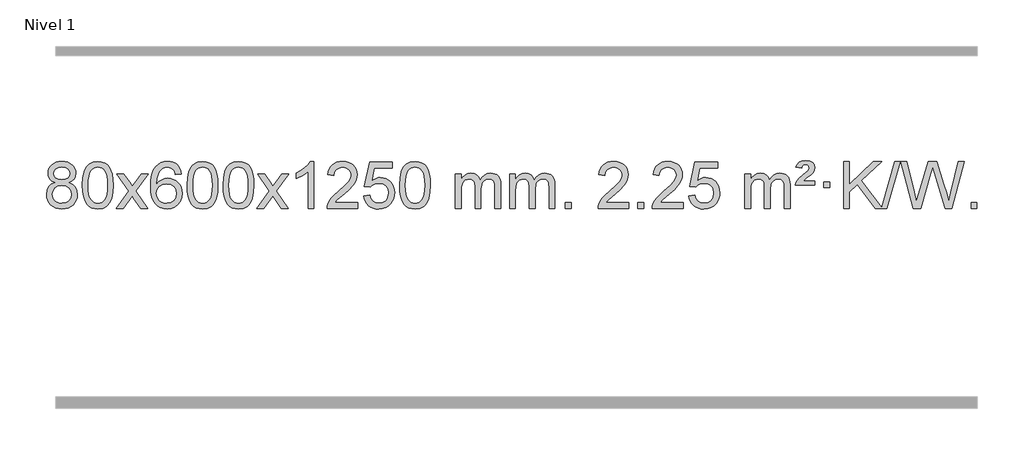
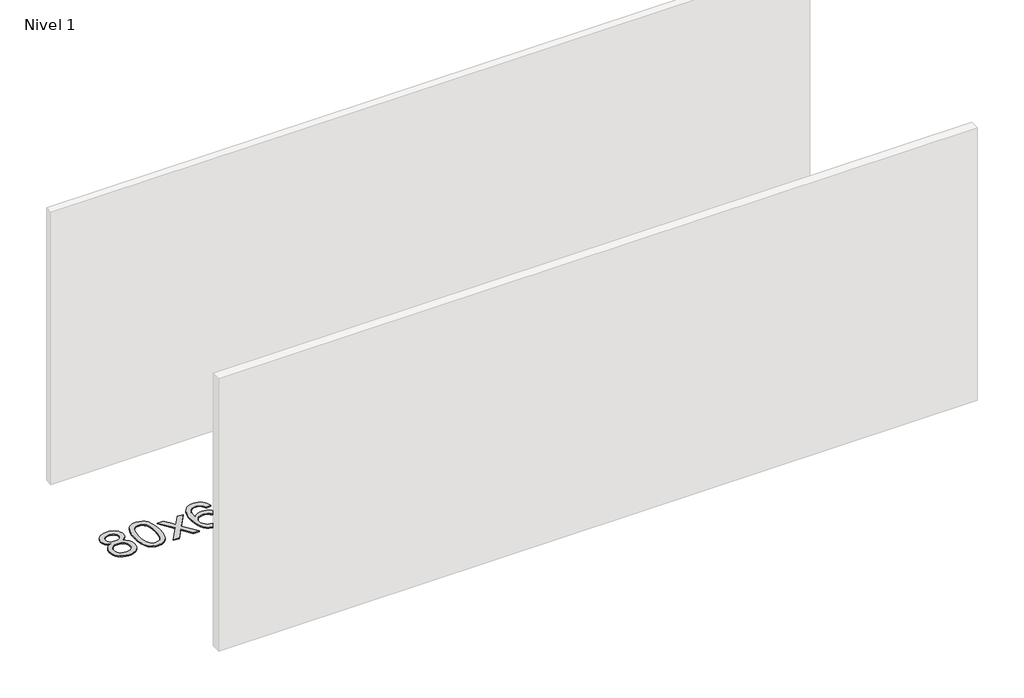
# One storey, part 8 of 12: 1 proxy.
"""IFC4 building model written with IfcOpenShell, lengths in millimetres."""

import ifcopenshell
import ifcopenshell.guid

model = None  # the IFC model being written
_history = None  # IfcOwnerHistory: only IFC2X3 demands one
_inside = {}  # id of a spatial element -> (the spatial element, [elements in it])
_under = {}  # id of a project, library or spatial element -> (it, [spatial elements below it])
_declared = {}  # id of a project -> (the project, [libraries it declares])
_typed = {}  # id of a type object -> (the type object, [elements of that type])
_made_of = {}  # id of a material, layer set ... -> (it, [elements and type objects made of it])


def new_model(schema):
    """Start an empty IFC model of exactly this schema.

    Asked for "IFC4X3", IfcOpenShell would pick the latest addendum, in which some entities
    have other attributes; the version numbers below select the first issue.
    IFC2X3 requires an IfcOwnerHistory on every rooted entity: one is made here for all.
    """
    global model, _history
    if schema == "IFC4X3":
        model = ifcopenshell.file(schema_version=(4, 3, 0, 0))
    else:
        model = ifcopenshell.file(schema=schema)
    _inside.clear()
    _under.clear()
    _declared.clear()
    _typed.clear()
    _made_of.clear()
    _history = None
    if model.schema == "IFC2X3":
        org = make("IfcOrganization", Name="unknown")
        user = make(
            "IfcPersonAndOrganization",
            ThePerson=make("IfcPerson", FamilyName="unknown"),
            TheOrganization=org,
        )
        app = make(
            "IfcApplication",
            ApplicationDeveloper=org,
            Version="unknown",
            ApplicationFullName="unknown",
            ApplicationIdentifier="unknown",
        )
        _history = make(
            "IfcOwnerHistory",
            OwningUser=user,
            OwningApplication=app,
            ChangeAction="ADDED",
            CreationDate=0,
        )
    return model


def make(cls, **values):
    """One entity of the class cls with the attributes given. An attribute that is None is left unset."""
    return model.create_entity(
        cls, **{name: value for name, value in values.items() if value is not None}
    )


def rooted(cls, **values):
    """An entity with a GlobalId (a new one), such as an element, a storey or a relation."""
    return make(cls, GlobalId=ifcopenshell.guid.new(), OwnerHistory=_history, **values)


def si_unit(unit_type, name, prefix=None):
    """IfcSIUnit, for example si_unit("LENGTHUNIT", "METRE", prefix="MILLI")."""
    return make("IfcSIUnit", UnitType=unit_type, Prefix=prefix, Name=name)


def assignment(units):
    """IfcUnitAssignment: the units of a project."""
    return None if units is None else make("IfcUnitAssignment", Units=units)


def point(xyz):
    """IfcCartesianPoint."""
    return None if xyz is None else make("IfcCartesianPoint", Coordinates=xyz)


def direction(xyz):
    """IfcDirection."""
    return None if xyz is None else make("IfcDirection", DirectionRatios=xyz)


def frame(location, z_axis=None, x_axis=None):
    """IfcAxis2Placement3D, a coordinate frame: its origin and axes. An axis left out is left unset."""
    return make(
        "IfcAxis2Placement3D",
        Location=point(location),
        Axis=direction(z_axis),
        RefDirection=direction(x_axis),
    )


def origin():
    """The frame at (0, 0, 0) with its axes left unset."""
    return frame((0.0, 0.0, 0.0))


def origin_with_axes():
    """The frame at (0, 0, 0) with the z axis (0, 0, 1) and the x axis (1, 0, 0) written out."""
    return frame((0.0, 0.0, 0.0), z_axis=(0.0, 0.0, 1.0), x_axis=(1.0, 0.0, 0.0))


def place(relative_to, where):
    """IfcLocalPlacement: puts the frame where relative to a parent placement (None: the world)."""
    return make(
        "IfcLocalPlacement", PlacementRelTo=relative_to, RelativePlacement=where
    )


def context(
    kind, dimensions, precision=None, world=None, true_north=None, identifier=None
):
    """IfcGeometricRepresentationContext, for example the 3D "Model" context."""
    return make(
        "IfcGeometricRepresentationContext",
        ContextIdentifier=identifier,
        ContextType=kind,
        CoordinateSpaceDimension=dimensions,
        Precision=precision,
        WorldCoordinateSystem=world,
        TrueNorth=true_north,
    )


def project(units=None, contexts=None):
    """IfcProject with its units and contexts."""
    return rooted(
        "IfcProject",
        Name="project",
        RepresentationContexts=contexts,
        UnitsInContext=assignment(units),
    )


def spatial(cls, under=None, at=None, **own):
    """A site, building, storey or space (cls), placed at a placement, below another one or the project."""
    s = rooted(cls, ObjectPlacement=at, **own)
    if under is not None:
        _under.setdefault(under.id(), (under, []))[1].append(s)
    return s


def polyline(points):
    """IfcPolyline through the points."""
    return make("IfcPolyline", Points=[point(p) for p in points])


def outline(outer, holes=None, kind="AREA"):
    """IfcArbitraryClosedProfileDef: a profile drawn as a closed curve; with holes, ...WithVoids."""
    if holes is None:
        return make("IfcArbitraryClosedProfileDef", ProfileType=kind, OuterCurve=outer)
    return make(
        "IfcArbitraryProfileDefWithVoids",
        ProfileType=kind,
        OuterCurve=outer,
        InnerCurves=holes,
    )


def extrude(swept, where, along, depth):
    """IfcExtrudedAreaSolid: the profile swept, set in the frame where, extruded along a direction by depth."""
    return make(
        "IfcExtrudedAreaSolid",
        SweptArea=swept,
        Position=where,
        ExtrudedDirection=direction(along),
        Depth=depth,
    )


def shape(context_of_items, identifier, shape_type, items):
    """IfcShapeRepresentation: the items that make up one representation, for example the "Body"."""
    return make(
        "IfcShapeRepresentation",
        ContextOfItems=context_of_items,
        RepresentationIdentifier=identifier,
        RepresentationType=shape_type,
        Items=items,
    )


def made_of(thing, what):
    """Note that an element or type object is made of a material, layer set ...; save() writes the relation."""
    if what is not None:
        _made_of.setdefault(what.id(), (what, []))[1].append(thing)
    return thing


def element(
    cls,
    number,
    at=None,
    inside=None,
    cuts=None,
    type_object=None,
    material=None,
    context=None,
    identifier="Body",
    shape_type=None,
    held_by="IfcProductDefinitionShape",
    body=None,
    shapes=None,
    **own,
):
    """One element of the class cls, such as IfcWall. Its Tag is "e" and its number.

    at: its placement. inside: the storey or other place that contains it. cuts: it is an
    opening in that element (IfcRelVoidsElement). A single representation is given by context,
    identifier, shape_type and body (its items); several are given by shapes. held_by: the class
    of the entity that holds the representations. save() writes the other relations.
    """
    e = rooted(cls, Tag="e%d" % number, ObjectPlacement=at, **own)
    if body is not None:
        shapes = [shape(context, identifier, shape_type, body)]
    if shapes is not None:
        e.Representation = make(held_by, Representations=shapes)
    if inside is not None:
        _inside.setdefault(inside.id(), (inside, []))[1].append(e)
    if cuts is not None:
        rooted(
            "IfcRelVoidsElement", RelatingBuildingElement=cuts, RelatedOpeningElement=e
        )
    if type_object is not None:
        _typed.setdefault(type_object.id(), (type_object, []))[1].append(e)
    return made_of(e, material)


def aggregate(whole, parts):
    """IfcRelAggregates: a whole, such as a stair, and the parts it consists of."""
    return rooted("IfcRelAggregates", RelatingObject=whole, RelatedObjects=parts)


def save(model, path):
    """Write the relations noted so far, then the file.

    IfcRelAggregates (storeys below a building ...), IfcRelContainedInSpatialStructure (elements
    in a storey), IfcRelDefinesByType, IfcRelAssociatesMaterial and IfcRelDeclares: one each for
    every whole, place, type object, material and project.
    """
    for whole, parts in _under.values():
        aggregate(whole, parts)
    for where, things in _inside.values():
        rooted(
            "IfcRelContainedInSpatialStructure",
            RelatedElements=things,
            RelatingStructure=where,
        )
    for kind, things in _typed.values():
        rooted("IfcRelDefinesByType", RelatedObjects=things, RelatingType=kind)
    for what, things in _made_of.values():
        rooted("IfcRelAssociatesMaterial", RelatedObjects=things, RelatingMaterial=what)
    for by, libraries in _declared.values():
        rooted("IfcRelDeclares", RelatingContext=by, RelatedDefinitions=libraries)
    model.write(path)


model = new_model("IFC4")

# Units and contexts
model_context = context("Model", 3, world=origin())
ifc_project = project(units=[si_unit("LENGTHUNIT", "METRE", prefix="MILLI")], contexts=[model_context])

# Site, building, storey
site = spatial("IfcSite", under=ifc_project)
building = spatial("IfcBuilding", under=site)
storey = spatial("IfcBuildingStorey", under=building, Name="Nivel 1", Elevation=0.0)

# Proxy
placement = place(None, origin())
element("IfcBuildingElementProxy", 1, Name="Texto de modelo 1", ObjectType="Texto de modelo 1", at=placement, inside=storey, context=model_context, shape_type="SweptSolid", body=[
    extrude(outline(polyline([(-6536.8094438, -9178.2616447), (-6563.7016177, -9165.0178929), (-6582.573964, -9147.0652515), (-6593.7207885, -9124.7716026), (-6597.4363966, -9098.5048281), (-6595.4130456, -9078.0199324), (-6589.3429927, -9059.2395565), (-6579.2262378, -9042.1637006), (-6565.062781, -9026.7923645), (-6547.533204, -9014.088173), (-6527.3180883, -9005.0137504), (-6504.4174341, -8999.5690969), (-6478.8312414, -8997.7542124), (-6453.1224213, -8999.6120165), (-6430.0500888, -9005.1854287), (-6409.614244, -9014.4744491), (-6391.8148868, -9027.4790776), (-6377.3939126, -9043.1508506), (-6367.0932167, -9060.4413044), (-6360.9127992, -9079.3504389), (-6358.85266, -9099.8782543), (-6362.5192172, -9125.2989001), (-6373.5188889, -9147.2124043), (-6391.9743023, -9165.0546811), (-6418.0080848, -9178.2616447), (-6387.0937345, -9194.1909351), (-6364.5916191, -9217.6495436), (-6350.8696207, -9247.5092989), (-6346.2956212, -9282.6420295), (-6348.5642269, -9307.6947933), (-6355.3700438, -9330.6628926), (-6366.713072, -9351.5463272), (-6382.5933114, -9370.3450971), (-6402.1768963, -9385.88198), (-6424.6299607, -9396.9797536), (-6449.9525047, -9403.6384177), (-6478.1445283, -9405.8579724), (-6506.3365519, -9403.6292206), (-6531.6590959, -9396.9429654), (-6554.1121603, -9385.7992066), (-6573.6957452, -9370.1979443), (-6589.5759846, -9351.26735), (-6600.9190128, -9330.135595), (-6607.7248297, -9306.8026795), (-6609.9934354, -9281.2686033), (-6605.2354949, -9244.7747094), (-6590.9616735, -9214.7555386), (-6567.9077351, -9192.2411605), (-6536.8094438, -9178.2616447)]), holes=[polyline([(-6547.2082415, -9099.9763561), (-6542.7568694, -9121.902123), (-6529.402753, -9139.413306), (-6507.5382997, -9150.8912243), (-6477.5559171, -9154.717197), (-6448.2725103, -9150.9157497), (-6426.7391508, -9139.5114079), (-6413.495399, -9122.5888361), (-6409.0808151, -9102.232699), (-6413.6425518, -9081.1040098), (-6427.327762, -9063.629615), (-6449.1554271, -9051.8941794), (-6478.1445283, -9047.9823675), (-6507.3175705, -9051.8083402), (-6529.1084474, -9063.2862585), (-6542.683293, -9080.1107284), (-6547.2082415, -9099.9763561)]), polyline([(-6559.7652803, -9279.5027698), (-6557.6683529, -9298.7184726), (-6551.3775708, -9317.3210389), (-6539.7647625, -9333.5446349), (-6521.7017565, -9345.623427), (-6500.0702952, -9353.1282197), (-6477.7521208, -9355.6298173), (-6443.5636208, -9350.3691048), (-6429.6699441, -9343.7932141), (-6417.909983, -9334.5869672), (-6401.870328, -9310.6869002), (-6396.5237763, -9281.0723996), (-6402.0420062, -9250.9551269), (-6418.596696, -9226.5277625), (-6430.6754882, -9217.0854579), (-6444.838945, -9210.3409547), (-6479.4198526, -9204.9453521), (-6513.130106, -9210.2673783), (-6526.8674329, -9216.919911), (-6538.5262264, -9226.2334569), (-6554.4555168, -9250.1948375), (-6559.7652803, -9279.5027698)])]), origin_with_axes(), (0.0, 0.0, 1.0), 10.0),
    extrude(outline(polyline([(-6302.3459855, -9201.9041943), (-6298.6549029, -9137.5861588), (-6287.5816548, -9086.2911459), (-6269.236606, -9047.2343407), (-6257.378543, -9032.0009605), (-6243.730121, -9019.6309284), (-6228.2453547, -9010.0598651), (-6210.8782588, -9003.2233914), (-6170.4970785, -8997.7542124), (-6139.5459399, -9000.991574), (-6111.832163, -9010.7036586), (-6088.6555973, -9026.5103217), (-6071.3160926, -9048.0314184), (-6058.2194935, -9075.0830078), (-6047.7716449, -9107.4811488), (-6040.9290398, -9148.6226186), (-6038.6481714, -9201.9041943), (-6042.3024659, -9265.8543477), (-6053.2653493, -9317.0267333), (-6071.5000336, -9356.1203266), (-6083.3305054, -9371.3996922), (-6096.9697304, -9383.8341036), (-6112.4728908, -9393.4695462), (-6129.8951689, -9400.3520052), (-6170.4970785, -9405.8579724), (-6198.1618045, -9403.4667394), (-6222.6872709, -9396.2930405), (-6244.0734775, -9384.3368757), (-6262.3204245, -9367.5982449), (-6279.8316074, -9337.3399508), (-6292.3395953, -9299.6381776), (-6299.844388, -9254.4929255), (-6302.3459855, -9201.9041943)]), holes=[polyline([(-6252.1178305, -9201.8060924), (-6250.6463025, -9245.4706195), (-6246.2317185, -9280.8148822), (-6238.8740786, -9307.8388804), (-6228.5733828, -9326.5426142), (-6216.1144459, -9339.2682656), (-6202.2820829, -9348.3580165), (-6187.0762937, -9353.8118671), (-6170.4970785, -9355.6298173), (-6153.9178632, -9353.8057357), (-6138.7120741, -9348.3334911), (-6124.8797111, -9339.2130833), (-6112.4207742, -9326.4445124), (-6102.1200783, -9307.7101217), (-6094.7624384, -9280.6922549), (-6090.3478545, -9245.3909118), (-6088.8763265, -9201.8060924), (-6090.2988035, -9159.2973278), (-6094.5662347, -9124.5753989), (-6101.6786199, -9097.6403055), (-6111.6359592, -9078.4920476), (-6123.8864297, -9065.1440625), (-6137.8782082, -9055.6097875), (-6153.6112949, -9049.8892225), (-6171.0856897, -9047.9823675), (-6187.5790658, -9049.6623619), (-6202.5273375, -9054.7023452), (-6215.9305049, -9063.1023175), (-6227.7885679, -9074.8622786), (-6238.4326203, -9095.708925), (-6246.0355148, -9123.8151094), (-6250.5972516, -9159.1808319), (-6252.1178305, -9201.8060924)])]), origin_with_axes(), (0.0, 0.0, 1.0), 10.0),
    extrude(outline(polyline([(-6013.5340939, -9399.579453), (-5906.2106531, -9251.2494325), (-6007.2555745, -9104.4890419), (-5946.8248254, -9104.4890419), (-5898.0681983, -9175.122385), (-5875.3085655, -9208.4770192), (-5855.5900906, -9181.2047007), (-5800.0644348, -9104.4890419), (-5739.6336857, -9104.4890419), (-5845.7799041, -9251.2494325), (-5743.5577603, -9399.579453), (-5803.9885094, -9399.579453), (-5865.498379, -9310.4048574), (-5876.7800935, -9294.1199477), (-5953.1033448, -9399.579453), (-6013.5340939, -9399.579453)])), origin_with_axes(), (0.0, 0.0, 1.0), 10.0),
    extrude(outline(polyline([(-5454.7458687, -9104.4890419), (-5504.9740237, -9110.7675613), (-5513.0674276, -9085.874213), (-5524.0057856, -9068.8780648), (-5546.7899439, -9053.2062918), (-5574.3320426, -9047.9823675), (-5597.6802865, -9051.0235253), (-5619.6551044, -9060.1469988), (-5638.5274507, -9079.3627017), (-5653.9417063, -9105.8134171), (-5664.3527668, -9143.227016), (-5668.2155277, -9195.3313693), (-5648.0678571, -9171.8237098), (-5623.9225355, -9155.2567573), (-5597.1284635, -9145.434308), (-5569.0345418, -9142.1601582), (-5544.9014829, -9144.398107), (-5522.6323595, -9151.1119534), (-5502.2271715, -9162.3016975), (-5483.6859189, -9177.9673391), (-5468.2777947, -9197.1769106), (-5457.2719917, -9218.9984443), (-5450.6685099, -9243.4319401), (-5448.4673493, -9270.4773982), (-5452.6121531, -9306.4439945), (-5465.0465645, -9339.786366), (-5484.740514, -9368.0642287), (-5510.6639319, -9388.8372987), (-5541.6395959, -9401.602804), (-5576.4902836, -9405.8579724), (-5606.4328123, -9403.0375437), (-5633.4752046, -9394.5762579), (-5657.6174606, -9380.4741147), (-5678.8595801, -9360.7311143), (-5696.177625, -9334.5133908), (-5708.5476571, -9300.9870783), (-5715.9696764, -9260.1521768), (-5718.4436828, -9212.0086864), (-5715.6968306, -9158.0342663), (-5707.4562739, -9111.9693092), (-5693.7220127, -9073.8138149), (-5674.4940471, -9043.5677835), (-5653.6535321, -9023.5243462), (-5629.4898164, -9009.2076052), (-5602.0029, -9000.6175606), (-5571.1927829, -8997.7542124), (-5548.0591367, -8999.5261773), (-5527.1205198, -9004.8420722), (-5508.3769322, -9013.7018969), (-5491.8283738, -9026.1056515), (-5477.9224344, -9041.6364031), (-5467.1067037, -9059.8772186), (-5459.3811818, -9080.8280983), (-5454.7458687, -9104.4890419)]), holes=[polyline([(-5668.2155277, -9269.6925832), (-5665.30926, -9291.9494439), (-5656.5904567, -9313.2007605), (-5643.0523993, -9331.472233), (-5625.6883691, -9344.7895612), (-5604.7313581, -9352.9197533), (-5580.4143582, -9355.6298173), (-5547.2681904, -9350.0134855), (-5533.353054, -9342.9930708), (-5521.2098825, -9333.1644901), (-5511.359842, -9320.9262824), (-5504.3240989, -9306.6769865), (-5498.6955043, -9272.1451299), (-5504.2505225, -9238.9989621), (-5511.1942951, -9225.3781312), (-5520.9155769, -9213.725469), (-5533.0955366, -9204.3904634), (-5547.4153432, -9197.7226022), (-5582.4744974, -9192.3883133), (-5615.5716142, -9197.7226022), (-5643.248603, -9213.725469), (-5654.1716326, -9225.2248471), (-5661.9737965, -9238.3858254), (-5666.6550949, -9253.2084042), (-5668.2155277, -9269.6925832)])]), origin_with_axes(), (0.0, 0.0, 1.0), 10.0),
    extrude(outline(polyline([(-5404.5177136, -9201.9041943), (-5400.8266309, -9137.5861588), (-5389.7533828, -9086.2911459), (-5371.408334, -9047.2343407), (-5359.550271, -9032.0009605), (-5345.901849, -9019.6309284), (-5330.4170827, -9010.0598651), (-5313.0499869, -9003.2233914), (-5272.6688065, -8997.7542124), (-5241.717668, -9000.991574), (-5214.003891, -9010.7036586), (-5190.8273253, -9026.5103217), (-5173.4878206, -9048.0314184), (-5160.3912216, -9075.0830078), (-5149.9433729, -9107.4811488), (-5143.1007678, -9148.6226186), (-5140.8198994, -9201.9041943), (-5144.4741939, -9265.8543477), (-5155.4370774, -9317.0267333), (-5173.6717616, -9356.1203266), (-5185.5022334, -9371.3996922), (-5199.1414584, -9383.8341036), (-5214.6446188, -9393.4695462), (-5232.066897, -9400.3520052), (-5272.6688065, -9405.8579724), (-5300.3335326, -9403.4667394), (-5324.8589989, -9396.2930405), (-5346.2452055, -9384.3368757), (-5364.4921525, -9367.5982449), (-5382.0033355, -9337.3399508), (-5394.5113233, -9299.6381776), (-5402.016116, -9254.4929255), (-5404.5177136, -9201.9041943)]), holes=[polyline([(-5354.2895585, -9201.8060924), (-5352.8180305, -9245.4706195), (-5348.4034466, -9280.8148822), (-5341.0458067, -9307.8388804), (-5330.7451108, -9326.5426142), (-5318.2861739, -9339.2682656), (-5304.4538109, -9348.3580165), (-5289.2480218, -9353.8118671), (-5272.6688065, -9355.6298173), (-5256.0895913, -9353.8057357), (-5240.8838021, -9348.3334911), (-5227.0514391, -9339.2130833), (-5214.5925022, -9326.4445124), (-5204.2918063, -9307.7101217), (-5196.9341664, -9280.6922549), (-5192.5195825, -9245.3909118), (-5191.0480545, -9201.8060924), (-5192.4705316, -9159.2973278), (-5196.7379627, -9124.5753989), (-5203.8503479, -9097.6403055), (-5213.8076873, -9078.4920476), (-5226.0581577, -9065.1440625), (-5240.0499363, -9055.6097875), (-5255.7830229, -9049.8892225), (-5273.2574177, -9047.9823675), (-5289.7507938, -9049.6623619), (-5304.6990656, -9054.7023452), (-5318.1022329, -9063.1023175), (-5329.9602959, -9074.8622786), (-5340.6043483, -9095.708925), (-5348.2072429, -9123.8151094), (-5352.7689796, -9159.1808319), (-5354.2895585, -9201.8060924)])]), origin_with_axes(), (0.0, 0.0, 1.0), 10.0),
    extrude(outline(polyline([(-5096.8702638, -9201.9041943), (-5093.1791811, -9137.5861588), (-5082.105933, -9086.2911459), (-5063.7608842, -9047.2343407), (-5051.9028212, -9032.0009605), (-5038.2543992, -9019.6309284), (-5022.7696329, -9010.0598651), (-5005.402537, -9003.2233914), (-4965.0213567, -8997.7542124), (-4934.0702182, -9000.991574), (-4906.3564412, -9010.7036586), (-4883.1798755, -9026.5103217), (-4865.8403708, -9048.0314184), (-4852.7437718, -9075.0830078), (-4842.2959231, -9107.4811488), (-4835.453318, -9148.6226186), (-4833.1724496, -9201.9041943), (-4836.8267441, -9265.8543477), (-4847.7896275, -9317.0267333), (-4866.0243118, -9356.1203266), (-4877.8547836, -9371.3996922), (-4891.4940086, -9383.8341036), (-4906.997169, -9393.4695462), (-4924.4194471, -9400.3520052), (-4965.0213567, -9405.8579724), (-4992.6860827, -9403.4667394), (-5017.2115491, -9396.2930405), (-5038.5977557, -9384.3368757), (-5056.8447027, -9367.5982449), (-5074.3558856, -9337.3399508), (-5086.8638735, -9299.6381776), (-5094.3686662, -9254.4929255), (-5096.8702638, -9201.9041943)]), holes=[polyline([(-5046.6421087, -9201.8060924), (-5045.1705807, -9245.4706195), (-5040.7559968, -9280.8148822), (-5033.3983568, -9307.8388804), (-5023.097661, -9326.5426142), (-5010.6387241, -9339.2682656), (-4996.8063611, -9348.3580165), (-4981.6005719, -9353.8118671), (-4965.0213567, -9355.6298173), (-4948.4421414, -9353.8057357), (-4933.2363523, -9348.3334911), (-4919.4039893, -9339.2130833), (-4906.9450524, -9326.4445124), (-4896.6443565, -9307.7101217), (-4889.2867166, -9280.6922549), (-4884.8721327, -9245.3909118), (-4883.4006047, -9201.8060924), (-4884.8230817, -9159.2973278), (-4889.0905129, -9124.5753989), (-4896.2028981, -9097.6403055), (-4906.1602375, -9078.4920476), (-4918.4107079, -9065.1440625), (-4932.4024864, -9055.6097875), (-4948.1355731, -9049.8892225), (-4965.6099679, -9047.9823675), (-4982.103344, -9049.6623619), (-4997.0516157, -9054.7023452), (-5010.4547831, -9063.1023175), (-5022.3128461, -9074.8622786), (-5032.9568985, -9095.708925), (-5040.559793, -9123.8151094), (-5045.1215298, -9159.1808319), (-5046.6421087, -9201.8060924)])]), origin_with_axes(), (0.0, 0.0, 1.0), 10.0),
    extrude(outline(polyline([(-4808.0583721, -9399.579453), (-4700.7349313, -9251.2494325), (-4801.7798527, -9104.4890419), (-4741.3491036, -9104.4890419), (-4692.5924765, -9175.122385), (-4669.8328437, -9208.4770192), (-4650.1143688, -9181.2047007), (-4594.588713, -9104.4890419), (-4534.1579639, -9104.4890419), (-4640.3041823, -9251.2494325), (-4538.0820385, -9399.579453), (-4598.5127876, -9399.579453), (-4660.0226572, -9310.4048574), (-4671.3043717, -9294.1199477), (-4747.627623, -9399.579453), (-4808.0583721, -9399.579453)])), origin_with_axes(), (0.0, 0.0, 1.0), 10.0),
    extrude(outline(polyline([(-4318.3338601, -9399.579453), (-4368.5620152, -9399.579453), (-4368.5620152, -9086.4382987), (-4389.5312889, -9103.3976587), (-4416.1414199, -9120.3324932), (-4469.0183253, -9145.6918254), (-4469.0183253, -9098.2105225), (-4429.5691127, -9076.7507395), (-4395.3928753, -9051.219729), (-4368.4516506, -9024.0700378), (-4350.7074757, -8997.7542124), (-4318.3338601, -8997.7542124), (-4318.3338601, -9399.579453)])), origin_with_axes(), (0.0, 0.0, 1.0), 10.0),
    extrude(outline(polyline([(-3941.622697, -9349.3512979), (-3941.622697, -9399.579453), (-4205.3205112, -9399.579453), (-4204.2168652, -9381.8965918), (-4199.9249086, -9364.9494945), (-4187.5395481, -9337.8856424), (-4169.4152284, -9311.6311307), (-4143.1975049, -9284.1503456), (-4106.5319327, -9253.4076736), (-4052.3306521, -9205.2641831), (-4019.8098837, -9169.7267824), (-4003.5494996, -9140.884834), (-3998.1293715, -9112.8277005), (-4003.2429312, -9087.6768347), (-4018.5836104, -9066.7688747), (-4042.1648463, -9052.6789943), (-4072.0000761, -9047.9823675), (-4103.3313594, -9052.5686297), (-4127.6728847, -9066.3274163), (-4143.3814459, -9088.1796068), (-4148.8138367, -9117.0460807), (-4199.0419918, -9110.7675613), (-4194.722444, -9084.838012), (-4186.8650977, -9062.1826125), (-4175.4699529, -9042.8013627), (-4160.5370096, -9026.6942627), (-4142.4096243, -9014.0329907), (-4121.4311535, -9004.989225), (-4097.6015973, -8999.5629655), (-4070.9209556, -8997.7542124), (-4044.0011906, -8999.7653006), (-4020.0428757, -9005.7985654), (-3999.0460108, -9015.8540066), (-3981.010596, -9029.9316242), (-3966.5252424, -9046.9890861), (-3956.1785613, -9065.9840598), (-3949.9705526, -9086.9165453), (-3947.9012164, -9109.7865427), (-3950.1330339, -9133.8092369), (-3956.8284862, -9157.4149983), (-3968.7110746, -9181.4254299), (-3986.5043004, -9206.6621347), (-4014.8680023, -9236.7916701), (-4058.4620187, -9275.4805933), (-4116.2440174, -9323.795762), (-4138.9055483, -9349.3512979), (-3941.622697, -9349.3512979)])), origin_with_axes(), (0.0, 0.0, 1.0), 10.0),
    extrude(outline(polyline([(-3891.394542, -9292.8446235), (-3841.1663869, -9286.5661041), (-3831.9448115, -9316.7201649), (-3815.8561056, -9338.3148381), (-3792.9738455, -9351.3010725), (-3763.3716076, -9355.6298173), (-3744.2417439, -9354.1245668), (-3727.368223, -9349.6088153), (-3712.7510451, -9342.0825628), (-3700.3902101, -9331.5458094), (-3690.5616294, -9318.519721), (-3683.5412147, -9303.5254641), (-3677.9248829, -9267.6324441), (-3683.1855954, -9233.8363514), (-3689.7614861, -9219.9181493), (-3698.967733, -9207.9865099), (-3710.834993, -9198.4154467), (-3725.393923, -9191.5789729), (-3762.5867927, -9186.1097939), (-3786.9528435, -9188.2925604), (-3806.6835812, -9194.8408599), (-3822.4411933, -9204.8717757), (-3834.8878675, -9217.5023908), (-3885.1160226, -9211.2238715), (-3841.1663869, -9004.0327318), (-3646.532286, -9004.0327318), (-3646.532286, -9054.2608869), (-3800.5522146, -9054.2608869), (-3822.0365231, -9164.919791), (-3804.3107423, -9152.2155994), (-3786.1557659, -9143.1411769), (-3767.5715937, -9137.6965234), (-3748.558226, -9135.8816388), (-3724.097139, -9138.1318504), (-3701.6287461, -9144.882485), (-3681.1530474, -9156.1335427), (-3662.6700428, -9171.8850234), (-3647.3692175, -9191.1743027), (-3636.4400566, -9213.038756), (-3629.88256, -9237.4783832), (-3627.6967278, -9264.4931844), (-3629.6648965, -9290.5147042), (-3635.5694025, -9314.7213394), (-3645.4102459, -9337.1130902), (-3659.1874266, -9357.6899565), (-3680.0585985, -9378.7634634), (-3704.4123865, -9393.8159684), (-3732.2487908, -9402.8474714), (-3763.5678114, -9405.8579724), (-3789.4881636, -9403.9235262), (-3812.9007869, -9398.1201877), (-3833.8056813, -9388.447957), (-3852.2028467, -9374.9068338), (-3867.5098034, -9358.1712688), (-3879.1440715, -9338.915712), (-3887.105651, -9317.1401636), (-3891.394542, -9292.8446235)])), origin_with_axes(), (0.0, 0.0, 1.0), 10.0),
    extrude(outline(polyline([(-3583.7470921, -9201.9041943), (-3580.0560094, -9137.5861588), (-3568.9827614, -9086.2911459), (-3550.6377126, -9047.2343407), (-3538.7796496, -9032.0009605), (-3525.1312276, -9019.6309284), (-3509.6464612, -9010.0598651), (-3492.2793654, -9003.2233914), (-3451.8981851, -8997.7542124), (-3420.9470465, -9000.991574), (-3393.2332696, -9010.7036586), (-3370.0567039, -9026.5103217), (-3352.7171992, -9048.0314184), (-3339.6206001, -9075.0830078), (-3329.1727515, -9107.4811488), (-3322.3301463, -9148.6226186), (-3320.049278, -9201.9041943), (-3323.7035725, -9265.8543477), (-3334.6664559, -9317.0267333), (-3352.9011401, -9356.1203266), (-3364.731612, -9371.3996922), (-3378.3708369, -9383.8341036), (-3393.8739974, -9393.4695462), (-3411.2962755, -9400.3520052), (-3451.8981851, -9405.8579724), (-3479.5629111, -9403.4667394), (-3504.0883774, -9396.2930405), (-3525.4745841, -9384.3368757), (-3543.721531, -9367.5982449), (-3561.232714, -9337.3399508), (-3573.7407019, -9299.6381776), (-3581.2454946, -9254.4929255), (-3583.7470921, -9201.9041943)]), holes=[polyline([(-3533.518937, -9201.8060924), (-3532.0474091, -9245.4706195), (-3527.6328251, -9280.8148822), (-3520.2751852, -9307.8388804), (-3509.9744894, -9326.5426142), (-3497.5155525, -9339.2682656), (-3483.6831894, -9348.3580165), (-3468.4774003, -9353.8118671), (-3451.8981851, -9355.6298173), (-3435.3189698, -9353.8057357), (-3420.1131807, -9348.3334911), (-3406.2808176, -9339.2130833), (-3393.8218807, -9326.4445124), (-3383.5211849, -9307.7101217), (-3376.163545, -9280.6922549), (-3371.748961, -9245.3909118), (-3370.2774331, -9201.8060924), (-3371.6999101, -9159.2973278), (-3375.9673412, -9124.5753989), (-3383.0797265, -9097.6403055), (-3393.0370658, -9078.4920476), (-3405.2875363, -9065.1440625), (-3419.2793148, -9055.6097875), (-3435.0124015, -9049.8892225), (-3452.4867962, -9047.9823675), (-3468.9801724, -9049.6623619), (-3483.9284441, -9054.7023452), (-3497.3316115, -9063.1023175), (-3509.1896744, -9074.8622786), (-3519.8337268, -9095.708925), (-3527.4366214, -9123.8151094), (-3531.9983581, -9159.1808319), (-3533.518937, -9201.8060924)])]), origin_with_axes(), (0.0, 0.0, 1.0), 10.0),
    extrude(outline(polyline([(-3106.5796189, -9399.579453), (-3106.5796189, -9104.4890419), (-3056.3514638, -9104.4890419), (-3056.3514638, -9153.0494653), (-3041.2437766, -9130.7435537), (-3021.8196072, -9113.2691589), (-2998.7411434, -9101.9751816), (-2972.6705727, -9098.2105225), (-2944.7360665, -9102.048758), (-2922.3443157, -9113.5634645), (-2905.6179477, -9131.9943524), (-2894.6795897, -9156.5811324), (-2876.3713291, -9131.0439906), (-2855.4878945, -9112.803175), (-2832.0292859, -9101.8586857), (-2805.9955034, -9098.2105225), (-2785.8876867, -9099.7280358), (-2768.2385479, -9104.2805755), (-2753.0480872, -9111.8681416), (-2740.3163045, -9122.4907342), (-2730.2516663, -9136.2709806), (-2723.0626389, -9153.3315082), (-2718.7492225, -9173.6723168), (-2717.3114171, -9197.2934066), (-2717.3114171, -9399.579453), (-2767.5395722, -9399.579453), (-2767.5395722, -9218.875817), (-2768.7045318, -9193.8230531), (-2772.1994108, -9176.9372695), (-2778.7477103, -9165.3735121), (-2789.0729316, -9156.2868268), (-2802.3534716, -9150.4007149), (-2817.7677272, -9148.4386776), (-2844.9787321, -9153.4663982), (-2867.1620165, -9168.54956), (-2875.7673895, -9180.1194488), (-2881.9140845, -9194.7182326), (-2886.8314405, -9233.0024856), (-2886.8314405, -9399.579453), (-2937.0595955, -9399.579453), (-2937.0595955, -9213.2840106), (-2939.9658633, -9184.8835206), (-2948.6846666, -9164.6254854), (-2964.0253458, -9152.4853796), (-2986.7972413, -9148.4386776), (-3006.1478342, -9151.1364789), (-3023.9778483, -9159.2298828), (-3038.6931281, -9172.5226856), (-3048.6995183, -9190.8186835), (-3054.4384775, -9216.2025411), (-3056.3514638, -9250.7589232), (-3056.3514638, -9399.579453), (-3106.5796189, -9399.579453)])), origin_with_axes(), (0.0, 0.0, 1.0), 10.0),
    extrude(outline(polyline([(-2641.9691845, -9399.579453), (-2641.9691845, -9104.4890419), (-2591.7410294, -9104.4890419), (-2591.7410294, -9153.0494653), (-2576.6333421, -9130.7435537), (-2557.2091728, -9113.2691589), (-2534.130709, -9101.9751816), (-2508.0601382, -9098.2105225), (-2480.1256321, -9102.048758), (-2457.7338813, -9113.5634645), (-2441.0075132, -9131.9943524), (-2430.0691552, -9156.5811324), (-2411.7608946, -9131.0439906), (-2390.87746, -9112.803175), (-2367.4188515, -9101.8586857), (-2341.3850689, -9098.2105225), (-2321.2772522, -9099.7280358), (-2303.6281135, -9104.2805755), (-2288.4376528, -9111.8681416), (-2275.7058701, -9122.4907342), (-2265.6412318, -9136.2709806), (-2258.4522045, -9153.3315082), (-2254.1387881, -9173.6723168), (-2252.7009826, -9197.2934066), (-2252.7009826, -9399.579453), (-2302.9291377, -9399.579453), (-2302.9291377, -9218.875817), (-2304.0940974, -9193.8230531), (-2307.5889763, -9176.9372695), (-2314.1372758, -9165.3735121), (-2324.4624972, -9156.2868268), (-2337.7430372, -9150.4007149), (-2353.1572928, -9148.4386776), (-2380.3682977, -9153.4663982), (-2402.551582, -9168.54956), (-2411.156955, -9180.1194488), (-2417.30365, -9194.7182326), (-2422.221006, -9233.0024856), (-2422.221006, -9399.579453), (-2472.4491611, -9399.579453), (-2472.4491611, -9213.2840106), (-2475.3554289, -9184.8835206), (-2484.0742321, -9164.6254854), (-2499.4149113, -9152.4853796), (-2522.1868068, -9148.4386776), (-2541.5373998, -9151.1364789), (-2559.3674138, -9159.2298828), (-2574.0826936, -9172.5226856), (-2584.0890839, -9190.8186835), (-2589.828043, -9216.2025411), (-2591.7410294, -9250.7589232), (-2591.7410294, -9399.579453), (-2641.9691845, -9399.579453)])), origin_with_axes(), (0.0, 0.0, 1.0), 10.0),
    extrude(outline(polyline([(-2164.8017113, -9399.579453), (-2164.8017113, -9349.3512979), (-2114.5735562, -9349.3512979), (-2114.5735562, -9399.579453), (-2164.8017113, -9399.579453)])), origin_with_axes(), (0.0, 0.0, 1.0), 10.0),
    extrude(outline(polyline([(-1618.5705248, -9349.3512979), (-1618.5705248, -9399.579453), (-1882.268339, -9399.579453), (-1881.164693, -9381.8965918), (-1876.8727364, -9364.9494945), (-1864.4873759, -9337.8856424), (-1846.3630562, -9311.6311307), (-1820.1453327, -9284.1503456), (-1783.4797605, -9253.4076736), (-1729.2784799, -9205.2641831), (-1696.7577115, -9169.7267824), (-1680.4973273, -9140.884834), (-1675.0771993, -9112.8277005), (-1680.190759, -9087.6768347), (-1695.5314382, -9066.7688747), (-1719.1126741, -9052.6789943), (-1748.9479039, -9047.9823675), (-1780.2791872, -9052.5686297), (-1804.6207125, -9066.3274163), (-1820.3292737, -9088.1796068), (-1825.7616645, -9117.0460807), (-1875.9898196, -9110.7675613), (-1871.6702718, -9084.838012), (-1863.8129255, -9062.1826125), (-1852.4177807, -9042.8013627), (-1837.4848374, -9026.6942627), (-1819.3574521, -9014.0329907), (-1798.3789813, -9004.989225), (-1774.5494251, -8999.5629655), (-1747.8687834, -8997.7542124), (-1720.9490184, -8999.7653006), (-1696.9907035, -9005.7985654), (-1675.9938386, -9015.8540066), (-1657.9584238, -9029.9316242), (-1643.4730702, -9046.9890861), (-1633.1263891, -9065.9840598), (-1626.9183804, -9086.9165453), (-1624.8490442, -9109.7865427), (-1627.0808616, -9133.8092369), (-1633.776314, -9157.4149983), (-1645.6589024, -9181.4254299), (-1663.4521282, -9206.6621347), (-1691.8158301, -9236.7916701), (-1735.4098465, -9275.4805933), (-1793.1918452, -9323.795762), (-1815.8533761, -9349.3512979), (-1618.5705248, -9349.3512979)])), origin_with_axes(), (0.0, 0.0, 1.0), 10.0),
    extrude(outline(polyline([(-1543.2282922, -9399.579453), (-1543.2282922, -9349.3512979), (-1493.0001371, -9349.3512979), (-1493.0001371, -9399.579453), (-1543.2282922, -9399.579453)])), origin_with_axes(), (0.0, 0.0, 1.0), 10.0),
    extrude(outline(polyline([(-1153.9600904, -9349.3512979), (-1153.9600904, -9399.579453), (-1417.6579045, -9399.579453), (-1416.5542585, -9381.8965918), (-1412.2623019, -9364.9494945), (-1399.8769414, -9337.8856424), (-1381.7526218, -9311.6311307), (-1355.5348983, -9284.1503456), (-1318.8693261, -9253.4076736), (-1264.6680455, -9205.2641831), (-1232.1472771, -9169.7267824), (-1215.8868929, -9140.884834), (-1210.4667648, -9112.8277005), (-1215.5803246, -9087.6768347), (-1230.9210038, -9066.7688747), (-1254.5022397, -9052.6789943), (-1284.3374695, -9047.9823675), (-1315.6687527, -9052.5686297), (-1340.0102781, -9066.3274163), (-1355.7188393, -9088.1796068), (-1361.1512301, -9117.0460807), (-1411.3793851, -9110.7675613), (-1407.0598374, -9084.838012), (-1399.2024911, -9062.1826125), (-1387.8073463, -9042.8013627), (-1372.874403, -9026.6942627), (-1354.7470177, -9014.0329907), (-1333.7685469, -9004.989225), (-1309.9389907, -8999.5629655), (-1283.258349, -8997.7542124), (-1256.338584, -8999.7653006), (-1232.380269, -9005.7985654), (-1211.3834041, -9015.8540066), (-1193.3479893, -9029.9316242), (-1178.8626358, -9046.9890861), (-1168.5159547, -9065.9840598), (-1162.307946, -9086.9165453), (-1160.2386098, -9109.7865427), (-1162.4704272, -9133.8092369), (-1169.1658795, -9157.4149983), (-1181.048468, -9181.4254299), (-1198.8416938, -9206.6621347), (-1227.2053956, -9236.7916701), (-1270.799412, -9275.4805933), (-1328.5814108, -9323.795762), (-1351.2429417, -9349.3512979), (-1153.9600904, -9349.3512979)])), origin_with_axes(), (0.0, 0.0, 1.0), 10.0),
    extrude(outline(polyline([(-1103.7319353, -9292.8446235), (-1053.5037802, -9286.5661041), (-1044.2822049, -9316.7201649), (-1028.193499, -9338.3148381), (-1005.3112389, -9351.3010725), (-975.709001, -9355.6298173), (-956.5791372, -9354.1245668), (-939.7056164, -9349.6088153), (-925.0884384, -9342.0825628), (-912.7276034, -9331.5458094), (-902.8990228, -9318.519721), (-895.878608, -9303.5254641), (-890.2622762, -9267.6324441), (-895.5229888, -9233.8363514), (-902.0988794, -9219.9181493), (-911.3051264, -9207.9865099), (-923.1723864, -9198.4154467), (-937.7313163, -9191.5789729), (-974.9241861, -9186.1097939), (-999.2902369, -9188.2925604), (-1019.0209745, -9194.8408599), (-1034.7785867, -9204.8717757), (-1047.2252608, -9217.5023908), (-1097.4534159, -9211.2238715), (-1053.5037802, -9004.0327318), (-858.8696793, -9004.0327318), (-858.8696793, -9054.2608869), (-1012.889608, -9054.2608869), (-1034.3739165, -9164.919791), (-1016.6481357, -9152.2155994), (-998.4931592, -9143.1411769), (-979.9089871, -9137.6965234), (-960.8956193, -9135.8816388), (-936.4345323, -9138.1318504), (-913.9661395, -9144.882485), (-893.4904407, -9156.1335427), (-875.0074362, -9171.8850234), (-859.7066109, -9191.1743027), (-848.7774499, -9213.038756), (-842.2199533, -9237.4783832), (-840.0341212, -9264.4931844), (-842.0022898, -9290.5147042), (-847.9067959, -9314.7213394), (-857.7476392, -9337.1130902), (-871.5248199, -9357.6899565), (-892.3959918, -9378.7634634), (-916.7497799, -9393.8159684), (-944.5861842, -9402.8474714), (-975.9052047, -9405.8579724), (-1001.825557, -9403.9235262), (-1025.2381803, -9398.1201877), (-1046.1430746, -9388.447957), (-1064.5402401, -9374.9068338), (-1079.8471968, -9358.1712688), (-1091.4814649, -9338.915712), (-1099.4430444, -9317.1401636), (-1103.7319353, -9292.8446235)])), origin_with_axes(), (0.0, 0.0, 1.0), 10.0),
    extrude(outline(polyline([(-626.5644621, -9399.579453), (-626.5644621, -9104.4890419), (-576.336307, -9104.4890419), (-576.336307, -9153.0494653), (-561.2286197, -9130.7435537), (-541.8044504, -9113.2691589), (-518.7259866, -9101.9751816), (-492.6554158, -9098.2105225), (-464.7209097, -9102.048758), (-442.3291589, -9113.5634645), (-425.6027909, -9131.9943524), (-414.6644329, -9156.5811324), (-396.3561722, -9131.0439906), (-375.4727377, -9112.803175), (-352.0141291, -9101.8586857), (-325.9803466, -9098.2105225), (-305.8725298, -9099.7280358), (-288.2233911, -9104.2805755), (-273.0329304, -9111.8681416), (-260.3011477, -9122.4907342), (-250.2365094, -9136.2709806), (-243.0474821, -9153.3315082), (-238.7340657, -9173.6723168), (-237.2962603, -9197.2934066), (-237.2962603, -9399.579453), (-287.5244153, -9399.579453), (-287.5244153, -9218.875817), (-288.689375, -9193.8230531), (-292.1842539, -9176.9372695), (-298.7325535, -9165.3735121), (-309.0577748, -9156.2868268), (-322.3383148, -9150.4007149), (-337.7525704, -9148.4386776), (-364.9635753, -9153.4663982), (-387.1468596, -9168.54956), (-395.7522326, -9180.1194488), (-401.8989276, -9194.7182326), (-406.8162836, -9233.0024856), (-406.8162836, -9399.579453), (-457.0444387, -9399.579453), (-457.0444387, -9213.2840106), (-459.9507065, -9184.8835206), (-468.6695098, -9164.6254854), (-484.010189, -9152.4853796), (-506.7820845, -9148.4386776), (-526.1326774, -9151.1364789), (-543.9626914, -9159.2298828), (-558.6779713, -9172.5226856), (-568.6843615, -9190.8186835), (-574.4233206, -9216.2025411), (-576.336307, -9250.7589232), (-576.336307, -9399.579453), (-626.5644621, -9399.579453)])), origin_with_axes(), (0.0, 0.0, 1.0), 10.0),
    extrude(outline(polyline([(-193.3466246, -9198.6668327), (-189.5206518, -9182.8479069), (-181.1819933, -9166.9799302), (-159.6731593, -9141.8413272), (-127.7164766, -9114.1030247), (-83.5706372, -9076.726214), (-76.4337265, -9065.1992448), (-74.0547563, -9053.3779701), (-75.9432172, -9041.2869152), (-81.6085999, -9031.5012541), (-90.977328, -9025.026531), (-103.9758252, -9022.8682899), (-116.4102366, -9024.4869707), (-125.26393, -9029.343013), (-131.6896022, -9038.8098431), (-136.8399501, -9054.2608869), (-187.0681052, -9047.9823675), (-176.2278491, -9022.7701881), (-159.5995829, -9005.2099542), (-135.834406, -8994.9092583), (-103.5834178, -8991.475693), (-67.8007624, -8995.6082341), (-43.0545668, -9008.0058573), (-28.6335926, -9026.3386434), (-23.8266012, -9048.2766731), (-27.9223541, -9071.1834586), (-40.2096127, -9092.8149199), (-60.737428, -9112.6314968), (-97.2067965, -9140.6886303), (-122.8113834, -9167.2742358), (-23.8266012, -9167.2742358), (-23.8266012, -9198.6668327), (-193.3466246, -9198.6668327)])), origin_with_axes(), (0.0, 0.0, 1.0), 10.0),
    extrude(outline(polyline([(51.5156314, -9223.7809102), (51.5156314, -9173.5527552), (101.7437865, -9173.5527552), (101.7437865, -9223.7809102), (51.5156314, -9223.7809102)])), origin_with_axes(), (0.0, 0.0, 1.0), 10.0),
    extrude(outline(polyline([(492.3854144, -9399.579453), (338.954097, -9196.9009991), (271.2638099, -9261.4520265), (271.2638099, -9399.579453), (221.0356548, -9399.579453), (221.0356548, -8997.7542124), (271.2638099, -8997.7542124), (271.2638099, -9194.4484525), (477.2777272, -8997.7542124), (547.5186628, -8997.7542124), (374.5650741, -9162.9577537), (549.218684, -9393.5349332), (660.5320117, -8997.7542124), (705.8550735, -8997.7542124), (592.8417246, -9399.579453), (553.7971822, -9399.579453), (547.5186628, -9399.579453), (492.3854144, -9399.579453)])), origin_with_axes(), (0.0, 0.0, 1.0), 10.0),
    extrude(outline(polyline([(820.3399504, -9399.579453), (710.7601668, -8997.7542124), (762.5579517, -8997.7542124), (826.1279605, -9261.844434), (845.7483335, -9343.3670841), (866.7421327, -9271.2622131), (946.4008474, -8997.7542124), (1021.056367, -8997.7542124), (1078.9364675, -9196.0180823), (1103.731714, -9269.5944814), (1122.0031864, -9343.3670841), (1141.0349483, -9264.1988788), (1205.1935683, -8997.7542124), (1256.9913532, -8997.7542124), (1147.3134677, -9399.579453), (1093.6517474, -9399.579453), (997.3157155, -9089.5775584), (983.87576, -9046.3146358), (968.7680727, -9098.4067263), (880.9669032, -9399.579453), (820.3399504, -9399.579453)])), origin_with_axes(), (0.0, 0.0, 1.0), 10.0),
    extrude(outline(polyline([(1313.4980277, -9399.579453), (1313.4980277, -9349.3512979), (1363.7261827, -9349.3512979), (1363.7261827, -9399.579453), (1313.4980277, -9399.579453)])), origin_with_axes(), (0.0, 0.0, 1.0), 10.0),
])

save(model, "model.ifc")
